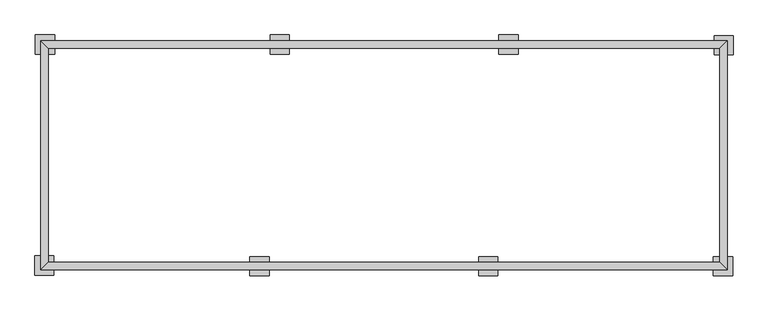
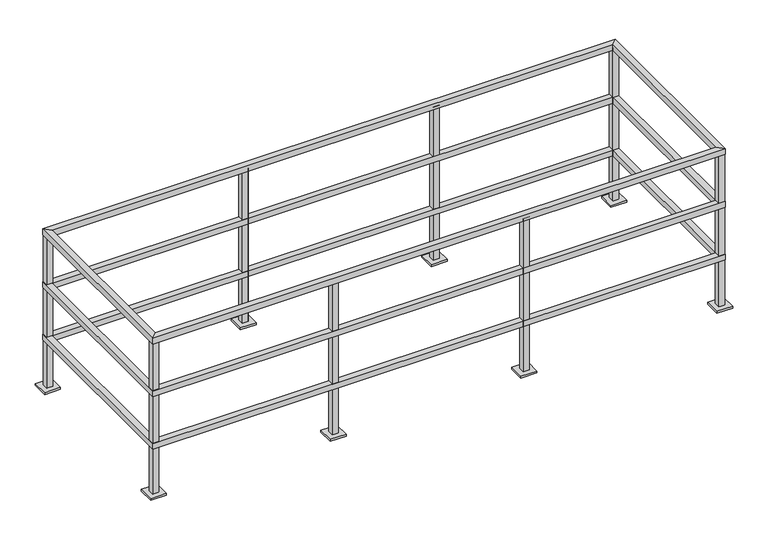
"""IFC4 building model written with IfcOpenShell, lengths in millimetres: railing geometry."""

from ifc_helpers import new_model, si_unit, frame, origin, origin_with_axes, place, context, project, spatial, polyline, outline, extrude, faceted_brep, source, transform, mapped, element, save


def railing_906bfb36(model_context):
    return source(origin(), model_context, "Body", "SolidModel", [
        faceted_brep([(-5151.1708618, -13649.3026485, 1066.8), (-5189.2708618, -13687.4026485, 1066.8), (-1531.6708618, -13687.4026485, 1066.8), (-1569.7708618, -13649.3026485, 1066.8), (-5189.2708618, -13687.4026485, 1028.7), (-1531.6708618, -13687.4026485, 1028.7), (-5151.1708618, -13649.3026485, 1028.7), (-1569.7708618, -13649.3026485, 1028.7), (-1569.7708618, -12506.3026485, 1066.8), (-1569.7708618, -12506.3026485, 1028.7), (-1531.6708618, -12468.2026485, 1028.7), (-1531.6708618, -12468.2026485, 1066.8), (-5151.1708618, -12506.3026485, 1066.8), (-5151.1708618, -12506.3026485, 1028.7), (-5189.2708618, -12468.2026485, 1028.7), (-5189.2708618, -12468.2026485, 1066.8)], [[[0, 1, 2, 3]], [[1, 4, 5, 2]], [[4, 6, 7, 5]], [[6, 0, 3, 7]], [[7, 3, 8, 9]], [[5, 7, 9, 10]], [[2, 5, 10, 11]], [[3, 2, 11, 8]], [[9, 8, 12, 13]], [[10, 9, 13, 14]], [[11, 10, 14, 15]], [[8, 11, 15, 12]], [[13, 12, 0, 6]], [[14, 13, 6, 4]], [[15, 14, 4, 1]], [[12, 15, 1, 0]]]),
        faceted_brep([(-1569.7708618, -13649.3026485, 673.1), (-1569.7708618, -13649.3026485, 711.2), (-1569.7708618, -12506.3026485, 711.2), (-1569.7708618, -12506.3026485, 673.1), (-1531.6708618, -13687.4026485, 673.1), (-1531.6708618, -12468.2026485, 673.1), (-1531.6708618, -13687.4026485, 711.2), (-1531.6708618, -12468.2026485, 711.2), (-5151.1708618, -12506.3026485, 711.2), (-5151.1708618, -12506.3026485, 673.1), (-5189.2708618, -12468.2026485, 673.1), (-5189.2708618, -12468.2026485, 711.2), (-5151.1708618, -13649.3026485, 711.2), (-5151.1708618, -13649.3026485, 673.1), (-5189.2708618, -13687.4026485, 673.1), (-5189.2708618, -13687.4026485, 711.2)], [[[0, 1, 2, 3]], [[4, 0, 3, 5]], [[6, 4, 5, 7]], [[1, 6, 7, 2]], [[3, 2, 8, 9]], [[5, 3, 9, 10]], [[7, 5, 10, 11]], [[2, 7, 11, 8]], [[9, 8, 12, 13]], [[10, 9, 13, 14]], [[11, 10, 14, 15]], [[8, 11, 15, 12]], [[13, 12, 1, 0]], [[14, 13, 0, 4]], [[15, 14, 4, 6]], [[12, 15, 6, 1]]]),
        faceted_brep([(-1569.7708618, -13649.3026485, 317.5), (-1569.7708618, -13649.3026485, 355.6), (-1569.7708618, -12506.3026485, 355.6), (-1569.7708618, -12506.3026485, 317.5), (-1531.6708618, -13687.4026485, 317.5), (-1531.6708618, -12468.2026485, 317.5), (-1531.6708618, -13687.4026485, 355.6), (-1531.6708618, -12468.2026485, 355.6), (-5151.1708618, -12506.3026485, 355.6), (-5151.1708618, -12506.3026485, 317.5), (-5189.2708618, -12468.2026485, 317.5), (-5189.2708618, -12468.2026485, 355.6), (-5151.1708618, -13649.3026485, 355.6), (-5151.1708618, -13649.3026485, 317.5), (-5189.2708618, -13687.4026485, 317.5), (-5189.2708618, -13687.4026485, 355.6)], [[[0, 1, 2, 3]], [[4, 0, 3, 5]], [[6, 4, 5, 7]], [[1, 6, 7, 2]], [[3, 2, 8, 9]], [[5, 3, 9, 10]], [[7, 5, 10, 11]], [[2, 7, 11, 8]], [[9, 8, 12, 13]], [[10, 9, 13, 14]], [[11, 10, 14, 15]], [[8, 11, 15, 12]], [[13, 12, 1, 0]], [[14, 13, 0, 4]], [[15, 14, 4, 6]], [[12, 15, 6, 1]]]),
        extrude(outline(polyline([(-2785.7605971, -13687.4026485), (-2823.8605971, -13687.4026485), (-2823.8605971, -13649.3026485), (-2785.7605971, -13649.3026485), (-2785.7605971, -13687.4026485)]), holes=[polyline([(-2822.2730971, -13650.8901485), (-2822.2730971, -13685.8151485), (-2787.3480971, -13685.8151485), (-2787.3480971, -13650.8901485), (-2822.2730971, -13650.8901485)])]), frame((0.0, 0.0, 12.7), z_axis=(0.0, 0.0, 1.0), x_axis=(1.0, 0.0, 0.0)), (0.0, 0.0, 1.0), 1035.05),
        extrude(outline(polyline([(-2754.0105971, -13617.5526485), (-2754.0105971, -13719.1526485), (-2855.6105971, -13719.1526485), (-2855.6105971, -13617.5526485), (-2754.0105971, -13617.5526485)])), origin_with_axes(), (0.0, 0.0, 1.0), 12.7),
        extrude(outline(polyline([(-4004.9605971, -13687.4026485), (-4043.0605971, -13687.4026485), (-4043.0605971, -13649.3026485), (-4004.9605971, -13649.3026485), (-4004.9605971, -13687.4026485)]), holes=[polyline([(-4041.4730971, -13650.8901485), (-4041.4730971, -13685.8151485), (-4006.5480971, -13685.8151485), (-4006.5480971, -13650.8901485), (-4041.4730971, -13650.8901485)])]), frame((0.0, 0.0, 12.7), z_axis=(0.0, 0.0, 1.0), x_axis=(1.0, 0.0, 0.0)), (0.0, 0.0, 1.0), 1035.05),
        extrude(outline(polyline([(-3973.2105971, -13617.5526485), (-3973.2105971, -13719.1526485), (-4074.8105971, -13719.1526485), (-4074.8105971, -13617.5526485), (-3973.2105971, -13617.5526485)])), origin_with_axes(), (0.0, 0.0, 1.0), 12.7),
        extrude(outline(polyline([(-3935.1811266, -12468.2026485), (-3897.0811266, -12468.2026485), (-3897.0811266, -12506.3026485), (-3935.1811266, -12506.3026485), (-3935.1811266, -12468.2026485)]), holes=[polyline([(-3898.6686266, -12504.7151485), (-3898.6686266, -12469.7901485), (-3933.5936266, -12469.7901485), (-3933.5936266, -12504.7151485), (-3898.6686266, -12504.7151485)])]), frame((0.0, 0.0, 12.7), z_axis=(0.0, 0.0, 1.0), x_axis=(1.0, 0.0, 0.0)), (0.0, 0.0, 1.0), 1035.05),
        extrude(outline(polyline([(-3966.9311266, -12538.0526485), (-3966.9311266, -12436.4526485), (-3865.3311266, -12436.4526485), (-3865.3311266, -12538.0526485), (-3966.9311266, -12538.0526485)])), origin_with_axes(), (0.0, 0.0, 1.0), 12.7),
        extrude(outline(polyline([(-2715.9811266, -12468.2026485), (-2677.8811266, -12468.2026485), (-2677.8811266, -12506.3026485), (-2715.9811266, -12506.3026485), (-2715.9811266, -12468.2026485)]), holes=[polyline([(-2679.4686266, -12504.7151485), (-2679.4686266, -12469.7901485), (-2714.3936266, -12469.7901485), (-2714.3936266, -12504.7151485), (-2679.4686266, -12504.7151485)])]), frame((0.0, 0.0, 12.7), z_axis=(0.0, 0.0, 1.0), x_axis=(1.0, 0.0, 0.0)), (0.0, 0.0, 1.0), 1035.05),
        extrude(outline(polyline([(-2747.7311266, -12538.0526485), (-2747.7311266, -12436.4526485), (-2646.1311266, -12436.4526485), (-2646.1311266, -12538.0526485), (-2747.7311266, -12538.0526485)])), origin_with_axes(), (0.0, 0.0, 1.0), 12.7),
        extrude(outline(polyline([(-1534.8105971, -13687.4026485), (-1572.9105971, -13687.4026485), (-1572.9105971, -13649.3026485), (-1534.8105971, -13649.3026485), (-1534.8105971, -13687.4026485)]), holes=[polyline([(-1571.3230971, -13650.8901485), (-1571.3230971, -13685.8151485), (-1536.3980971, -13685.8151485), (-1536.3980971, -13650.8901485), (-1571.3230971, -13650.8901485)])]), frame((0.0, 0.0, 12.7), z_axis=(0.0, 0.0, 1.0), x_axis=(1.0, 0.0, 0.0)), (0.0, 0.0, 1.0), 1035.05),
        extrude(outline(polyline([(-1503.0605971, -13617.5526485), (-1503.0605971, -13719.1526485), (-1604.6605971, -13719.1526485), (-1604.6605971, -13617.5526485), (-1503.0605971, -13617.5526485)])), origin_with_axes(), (0.0, 0.0, 1.0), 12.7),
        extrude(outline(polyline([(-5189.2708618, -13684.2629132), (-5189.2708618, -13646.1629132), (-5151.1708618, -13646.1629132), (-5151.1708618, -13684.2629132), (-5189.2708618, -13684.2629132)]), holes=[polyline([(-5152.7583618, -13647.7504132), (-5187.6833618, -13647.7504132), (-5187.6833618, -13682.6754132), (-5152.7583618, -13682.6754132), (-5152.7583618, -13647.7504132)])]), frame((0.0, 0.0, 12.7), z_axis=(0.0, 0.0, 1.0), x_axis=(1.0, 0.0, 0.0)), (0.0, 0.0, 1.0), 1035.05),
        extrude(outline(polyline([(-5119.4208618, -13716.0129132), (-5221.0208618, -13716.0129132), (-5221.0208618, -13614.4129132), (-5119.4208618, -13614.4129132), (-5119.4208618, -13716.0129132)])), origin_with_axes(), (0.0, 0.0, 1.0), 12.7),
        extrude(outline(polyline([(-5186.1311266, -12468.2026485), (-5148.0311266, -12468.2026485), (-5148.0311266, -12506.3026485), (-5186.1311266, -12506.3026485), (-5186.1311266, -12468.2026485)]), holes=[polyline([(-5149.6186266, -12504.7151485), (-5149.6186266, -12469.7901485), (-5184.5436266, -12469.7901485), (-5184.5436266, -12504.7151485), (-5149.6186266, -12504.7151485)])]), frame((0.0, 0.0, 12.7), z_axis=(0.0, 0.0, 1.0), x_axis=(1.0, 0.0, 0.0)), (0.0, 0.0, 1.0), 1035.05),
        extrude(outline(polyline([(-5217.8811266, -12538.0526485), (-5217.8811266, -12436.4526485), (-5116.2811266, -12436.4526485), (-5116.2811266, -12538.0526485), (-5217.8811266, -12538.0526485)])), origin_with_axes(), (0.0, 0.0, 1.0), 12.7),
        extrude(outline(polyline([(-1531.6708618, -12471.3423838), (-1531.6708618, -12509.4423838), (-1569.7708618, -12509.4423838), (-1569.7708618, -12471.3423838), (-1531.6708618, -12471.3423838)]), holes=[polyline([(-1568.1833618, -12507.8548838), (-1533.2583618, -12507.8548838), (-1533.2583618, -12472.9298838), (-1568.1833618, -12472.9298838), (-1568.1833618, -12507.8548838)])]), frame((0.0, 0.0, 12.7), z_axis=(0.0, 0.0, 1.0), x_axis=(1.0, 0.0, 0.0)), (0.0, 0.0, 1.0), 1035.05),
        extrude(outline(polyline([(-1601.5208618, -12439.5923838), (-1499.9208618, -12439.5923838), (-1499.9208618, -12541.1923838), (-1601.5208618, -12541.1923838), (-1601.5208618, -12439.5923838)])), origin_with_axes(), (0.0, 0.0, 1.0), 12.7),
    ])


if __name__ == "__main__":
    model = new_model("IFC4")
    model_context = context("Model", 3, world=origin())
    ifc_project = project(units=[si_unit("LENGTHUNIT", "METRE", prefix="MILLI")], contexts=[model_context])
    site = spatial("IfcSite", under=ifc_project)
    building = spatial("IfcBuilding", under=site)
    placement = place(None, origin())
    railing_shape = railing_906bfb36(model_context)
    element("IfcRailing", 1, at=placement, inside=building, context=model_context, shape_type="MappedRepresentation", body=[
        mapped(railing_shape, transform((0.0, 0.0, 0.0), x_axis=(1.0, 0.0, 0.0), y_axis=(0.0, 1.0, 0.0), z_axis=(0.0, 0.0, 1.0))),
    ])
    save(model, "model.ifc")
